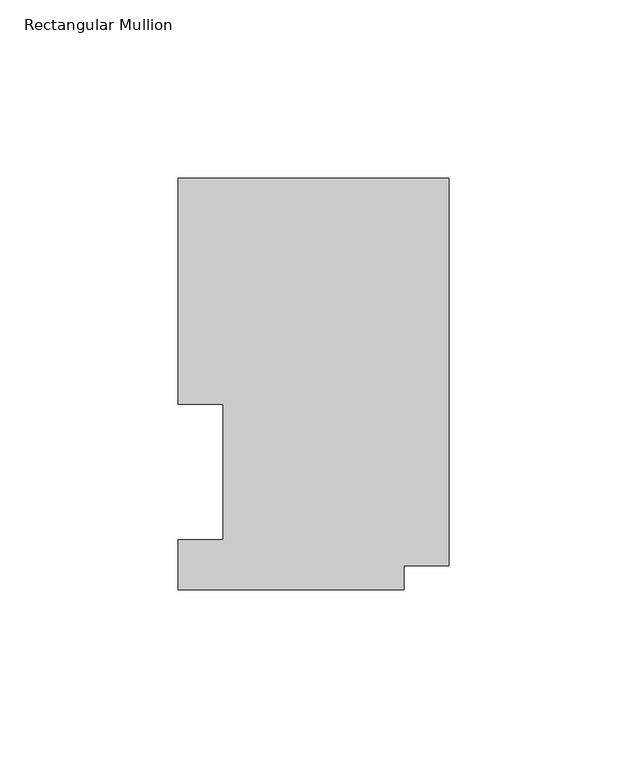
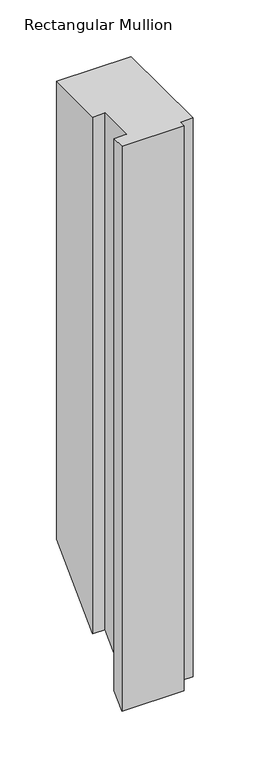
"""IFC4 building model written with IfcOpenShell, lengths in millimetres: member geometry, Rectangular Mullion."""

from ifc_helpers import new_model, si_unit, origin, place, context, project, spatial, faceted_brep, source, transform, mapped, element, save


def rectangular_mullion_98bc4e74(model_context):
    return source(origin(), model_context, "Body", "Brep", [
        faceted_brep([(0.0, 116.0859375, 0.0), (-76.2, 116.0859375, 0.0), (-76.2, 52.5859375, 0.0), (-63.5, 52.5859375, 0.0), (-63.5, 14.4859375, 0.0), (-76.2, 14.4859375, 0.0), (-76.2, 0.5159205, 0.0), (-12.7, 0.5159205, 0.0), (-12.7, 7.1611307, 0.0), (0.0, 7.1611307, 0.0), (0.0, 116.0859375, -493.5140625), (-76.2, 116.0859375, -493.5140625), (-76.2, 52.5859375, -557.0140625), (-63.5, 52.5859375, -557.0140625), (-63.5, 14.4859375, -595.1140625), (-76.2, 14.4859375, -595.1140625), (-76.2, 0.5159205, -609.0840795), (-12.7, 0.5159205, -609.0840795), (-12.7, 7.1611307, -602.4388693), (0.0, 7.1611307, -602.4388693)], [[[0, 1, 2, 3, 4, 5, 6, 7, 8, 9]], [[1, 0, 10, 11]], [[2, 1, 11, 12]], [[3, 2, 12, 13]], [[4, 3, 13, 14]], [[5, 4, 14, 15]], [[6, 5, 15, 16]], [[7, 6, 16, 17]], [[8, 7, 17, 18]], [[9, 8, 18, 19]], [[0, 9, 19, 10]], [[10, 19, 18, 17, 16, 15, 14, 13, 12, 11]]]),
    ])


if __name__ == "__main__":
    model = new_model("IFC4")
    model_context = context("Model", 3, world=origin())
    ifc_project = project(units=[si_unit("LENGTHUNIT", "METRE", prefix="MILLI")], contexts=[model_context])
    site = spatial("IfcSite", under=ifc_project)
    building = spatial("IfcBuilding", under=site)
    placement = place(None, origin())
    rectangular_mullion_shape = rectangular_mullion_98bc4e74(model_context)
    element("IfcMember", 1, ObjectType="Rectangular Mullion", at=placement, inside=building, context=model_context, shape_type="MappedRepresentation", body=[
        mapped(rectangular_mullion_shape, transform((0.0, 0.0, 0.0), x_axis=(1.0, 0.0, 0.0), y_axis=(0.0, 1.0, 0.0), z_axis=(0.0, 0.0, 1.0))),
    ])
    save(model, "model.ifc")
